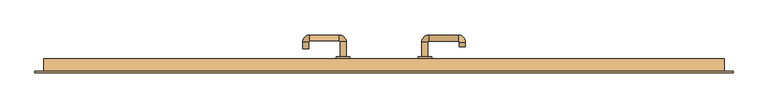
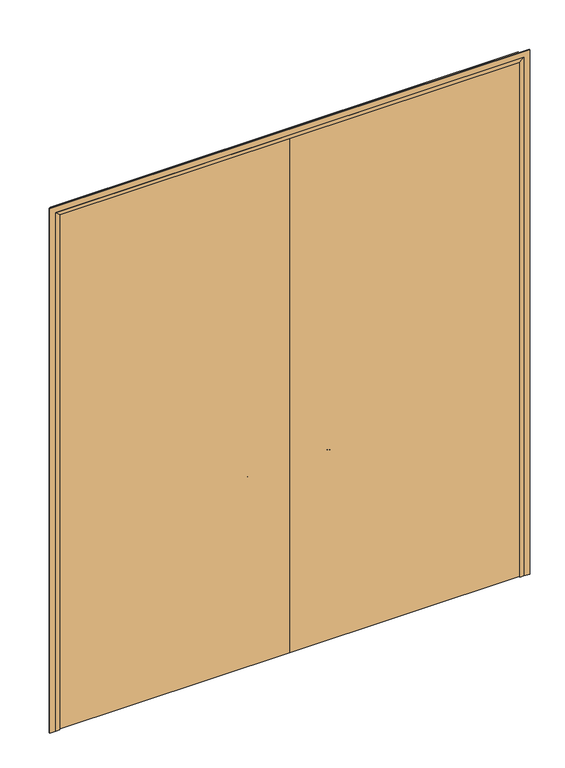
"""IFC4 building model written with IfcOpenShell, lengths in millimetres: door geometry."""

import ifcopenshell
import ifcopenshell.guid

model = None  # the IFC model being written
_history = None  # IfcOwnerHistory: only IFC2X3 demands one
_inside = {}  # id of a spatial element -> (the spatial element, [elements in it])
_under = {}  # id of a project, library or spatial element -> (it, [spatial elements below it])
_declared = {}  # id of a project -> (the project, [libraries it declares])
_typed = {}  # id of a type object -> (the type object, [elements of that type])
_made_of = {}  # id of a material, layer set ... -> (it, [elements and type objects made of it])


def new_model(schema):
    """Start an empty IFC model of exactly this schema.

    Asked for "IFC4X3", IfcOpenShell would pick the latest addendum, in which some entities
    have other attributes; the version numbers below select the first issue.
    IFC2X3 requires an IfcOwnerHistory on every rooted entity: one is made here for all.
    """
    global model, _history
    if schema == "IFC4X3":
        model = ifcopenshell.file(schema_version=(4, 3, 0, 0))
    else:
        model = ifcopenshell.file(schema=schema)
    _inside.clear()
    _under.clear()
    _declared.clear()
    _typed.clear()
    _made_of.clear()
    _history = None
    if model.schema == "IFC2X3":
        org = make("IfcOrganization", Name="unknown")
        user = make(
            "IfcPersonAndOrganization",
            ThePerson=make("IfcPerson", FamilyName="unknown"),
            TheOrganization=org,
        )
        app = make(
            "IfcApplication",
            ApplicationDeveloper=org,
            Version="unknown",
            ApplicationFullName="unknown",
            ApplicationIdentifier="unknown",
        )
        _history = make(
            "IfcOwnerHistory",
            OwningUser=user,
            OwningApplication=app,
            ChangeAction="ADDED",
            CreationDate=0,
        )
    return model


def make(cls, **values):
    """One entity of the class cls with the attributes given. An attribute that is None is left unset."""
    return model.create_entity(
        cls, **{name: value for name, value in values.items() if value is not None}
    )


def rooted(cls, **values):
    """An entity with a GlobalId (a new one), such as an element, a storey or a relation."""
    return make(cls, GlobalId=ifcopenshell.guid.new(), OwnerHistory=_history, **values)


def si_unit(unit_type, name, prefix=None):
    """IfcSIUnit, for example si_unit("LENGTHUNIT", "METRE", prefix="MILLI")."""
    return make("IfcSIUnit", UnitType=unit_type, Prefix=prefix, Name=name)


def assignment(units):
    """IfcUnitAssignment: the units of a project."""
    return None if units is None else make("IfcUnitAssignment", Units=units)


def point(xyz):
    """IfcCartesianPoint."""
    return None if xyz is None else make("IfcCartesianPoint", Coordinates=xyz)


def direction(xyz):
    """IfcDirection."""
    return None if xyz is None else make("IfcDirection", DirectionRatios=xyz)


def frame(location, z_axis=None, x_axis=None):
    """IfcAxis2Placement3D, a coordinate frame: its origin and axes. An axis left out is left unset."""
    return make(
        "IfcAxis2Placement3D",
        Location=point(location),
        Axis=direction(z_axis),
        RefDirection=direction(x_axis),
    )


def frame_2d(location, x_axis=None):
    """IfcAxis2Placement2D, a coordinate frame in the plane: its origin and x axis."""
    return make(
        "IfcAxis2Placement2D", Location=point(location), RefDirection=direction(x_axis)
    )


def origin():
    """The frame at (0, 0, 0) with its axes left unset."""
    return frame((0.0, 0.0, 0.0))


def place(relative_to, where):
    """IfcLocalPlacement: puts the frame where relative to a parent placement (None: the world)."""
    return make(
        "IfcLocalPlacement", PlacementRelTo=relative_to, RelativePlacement=where
    )


def context(
    kind, dimensions, precision=None, world=None, true_north=None, identifier=None
):
    """IfcGeometricRepresentationContext, for example the 3D "Model" context."""
    return make(
        "IfcGeometricRepresentationContext",
        ContextIdentifier=identifier,
        ContextType=kind,
        CoordinateSpaceDimension=dimensions,
        Precision=precision,
        WorldCoordinateSystem=world,
        TrueNorth=true_north,
    )


def project(units=None, contexts=None):
    """IfcProject with its units and contexts."""
    return rooted(
        "IfcProject",
        Name="project",
        RepresentationContexts=contexts,
        UnitsInContext=assignment(units),
    )


def spatial(cls, under=None, at=None, **own):
    """A site, building, storey or space (cls), placed at a placement, below another one or the project."""
    s = rooted(cls, ObjectPlacement=at, **own)
    if under is not None:
        _under.setdefault(under.id(), (under, []))[1].append(s)
    return s


def polyline(points):
    """IfcPolyline through the points."""
    return make("IfcPolyline", Points=[point(p) for p in points])


def circle_curve(where, radius):
    """IfcCircle in the frame where."""
    return make("IfcCircle", Position=where, Radius=radius)


def ellipse_curve(where, semi_axis1, semi_axis2):
    """IfcEllipse in the frame where."""
    return make(
        "IfcEllipse", Position=where, SemiAxis1=semi_axis1, SemiAxis2=semi_axis2
    )


def trimmed(basis, trim1, trim2, sense, master):
    """IfcTrimmedCurve: the piece of a basis curve between two trims."""
    return make(
        "IfcTrimmedCurve",
        BasisCurve=basis,
        Trim1=trim1,
        Trim2=trim2,
        SenseAgreement=sense,
        MasterRepresentation=master,
    )


def segment(curve, same_sense, transition):
    """IfcCompositeCurveSegment."""
    return make(
        "IfcCompositeCurveSegment",
        Transition=transition,
        SameSense=same_sense,
        ParentCurve=curve,
    )


def composite_curve(segments, self_intersect=None):
    """IfcCompositeCurve: segments joined end to end."""
    return make("IfcCompositeCurve", Segments=segments, SelfIntersect=self_intersect)


def outline(outer, holes=None, kind="AREA"):
    """IfcArbitraryClosedProfileDef: a profile drawn as a closed curve; with holes, ...WithVoids."""
    if holes is None:
        return make("IfcArbitraryClosedProfileDef", ProfileType=kind, OuterCurve=outer)
    return make(
        "IfcArbitraryProfileDefWithVoids",
        ProfileType=kind,
        OuterCurve=outer,
        InnerCurves=holes,
    )


def extrude(swept, where, along, depth):
    """IfcExtrudedAreaSolid: the profile swept, set in the frame where, extruded along a direction by depth."""
    return make(
        "IfcExtrudedAreaSolid",
        SweptArea=swept,
        Position=where,
        ExtrudedDirection=direction(along),
        Depth=depth,
    )


def faces_of(points, faces, orient=None, outer=None):
    """IfcFace entities. A face is a list of loops; a loop is a list of indices into points, from 0.

    orient and outer hold one flag for each loop. By default every Orientation is true, the
    first loop of a face is its IfcFaceOuterBound and the others are IfcFaceBound.
    """
    made = []
    for i, loops in enumerate(faces):
        bounds = []
        for j, loop in enumerate(loops):
            is_outer = j == 0 if outer is None else outer[i][j]
            bounds.append(
                make(
                    "IfcFaceOuterBound" if is_outer else "IfcFaceBound",
                    Bound=make("IfcPolyLoop", Polygon=[points[k] for k in loop]),
                    Orientation=True if orient is None else orient[i][j],
                )
            )
        made.append(make("IfcFace", Bounds=bounds))
    return made


def faceted_brep(points, faces, orient=None, outer=None, voids=None):
    """IfcFacetedBrep: a solid bounded by flat faces; with voids (closed shells), ...WithVoids."""
    shared = [point(p) for p in points]
    hull = make("IfcClosedShell", CfsFaces=faces_of(shared, faces, orient, outer))
    if voids is None:
        return make("IfcFacetedBrep", Outer=hull)
    return make(
        "IfcFacetedBrepWithVoids",
        Outer=hull,
        Voids=[
            make(cls, CfsFaces=faces_of(shared, fs, o, b)) for cls, fs, o, b in voids
        ],
    )


def shape(context_of_items, identifier, shape_type, items):
    """IfcShapeRepresentation: the items that make up one representation, for example the "Body"."""
    return make(
        "IfcShapeRepresentation",
        ContextOfItems=context_of_items,
        RepresentationIdentifier=identifier,
        RepresentationType=shape_type,
        Items=items,
    )


def source(mapping_origin, context_of_items, identifier, shape_type, items):
    """IfcRepresentationMap: a shape defined once, which mapped items show again and again."""
    return make(
        "IfcRepresentationMap",
        MappingOrigin=mapping_origin,
        MappedRepresentation=shape(context_of_items, identifier, shape_type, items),
    )


def transform(
    local_origin,
    x_axis=None,
    y_axis=None,
    z_axis=None,
    scale=None,
    scale2=None,
    scale3=None,
    uniform=True,
):
    """IfcCartesianTransformationOperator3D, or its non-uniform kind. x_axis, y_axis, z_axis: its Axis1, 2, 3."""
    if uniform:
        return make(
            "IfcCartesianTransformationOperator3D",
            Axis1=direction(x_axis),
            Axis2=direction(y_axis),
            LocalOrigin=point(local_origin),
            Scale=scale,
            Axis3=direction(z_axis),
        )
    return make(
        "IfcCartesianTransformationOperator3DnonUniform",
        Axis1=direction(x_axis),
        Axis2=direction(y_axis),
        LocalOrigin=point(local_origin),
        Scale=scale,
        Axis3=direction(z_axis),
        Scale2=scale2,
        Scale3=scale3,
    )


def mapped(mapping_source, mapping_target):
    """IfcMappedItem: shows the shape of a source again, moved by a transform."""
    return make(
        "IfcMappedItem", MappingSource=mapping_source, MappingTarget=mapping_target
    )


def made_of(thing, what):
    """Note that an element or type object is made of a material, layer set ...; save() writes the relation."""
    if what is not None:
        _made_of.setdefault(what.id(), (what, []))[1].append(thing)
    return thing


def element(
    cls,
    number,
    at=None,
    inside=None,
    cuts=None,
    type_object=None,
    material=None,
    context=None,
    identifier="Body",
    shape_type=None,
    held_by="IfcProductDefinitionShape",
    body=None,
    shapes=None,
    **own,
):
    """One element of the class cls, such as IfcWall. Its Tag is "e" and its number.

    at: its placement. inside: the storey or other place that contains it. cuts: it is an
    opening in that element (IfcRelVoidsElement). A single representation is given by context,
    identifier, shape_type and body (its items); several are given by shapes. held_by: the class
    of the entity that holds the representations. save() writes the other relations.
    """
    e = rooted(cls, Tag="e%d" % number, ObjectPlacement=at, **own)
    if body is not None:
        shapes = [shape(context, identifier, shape_type, body)]
    if shapes is not None:
        e.Representation = make(held_by, Representations=shapes)
    if inside is not None:
        _inside.setdefault(inside.id(), (inside, []))[1].append(e)
    if cuts is not None:
        rooted(
            "IfcRelVoidsElement", RelatingBuildingElement=cuts, RelatedOpeningElement=e
        )
    if type_object is not None:
        _typed.setdefault(type_object.id(), (type_object, []))[1].append(e)
    return made_of(e, material)


def aggregate(whole, parts):
    """IfcRelAggregates: a whole, such as a stair, and the parts it consists of."""
    return rooted("IfcRelAggregates", RelatingObject=whole, RelatedObjects=parts)


def save(model, path):
    """Write the relations noted so far, then the file.

    IfcRelAggregates (storeys below a building ...), IfcRelContainedInSpatialStructure (elements
    in a storey), IfcRelDefinesByType, IfcRelAssociatesMaterial and IfcRelDeclares: one each for
    every whole, place, type object, material and project.
    """
    for whole, parts in _under.values():
        aggregate(whole, parts)
    for where, things in _inside.values():
        rooted(
            "IfcRelContainedInSpatialStructure",
            RelatedElements=things,
            RelatingStructure=where,
        )
    for kind, things in _typed.values():
        rooted("IfcRelDefinesByType", RelatedObjects=things, RelatingType=kind)
    for what, things in _made_of.values():
        rooted("IfcRelAssociatesMaterial", RelatedObjects=things, RelatingMaterial=what)
    for by, libraries in _declared.values():
        rooted("IfcRelDeclares", RelatingContext=by, RelatedDefinitions=libraries)
    model.write(path)


def plane_surface(at):
    """IfcPlane: the flat surface through the origin of the frame at, square to its z axis."""
    return make("IfcPlane", Position=at)


def cylinder_surface(at, radius):
    """IfcCylindricalSurface: all points at the distance radius from the z axis of the frame at."""
    return make("IfcCylindricalSurface", Position=at, Radius=radius)


def revolved_surface(curve, axis_point, axis_direction):
    """IfcSurfaceOfRevolution: the curve turned about the line through axis_point along axis_direction."""
    return make(
        "IfcSurfaceOfRevolution",
        SweptCurve=make("IfcArbitraryOpenProfileDef", ProfileType="CURVE", Curve=curve),
        AxisPosition=make("IfcAxis1Placement", Location=point(axis_point), Axis=direction(axis_direction)),
    )


def advanced_brep(points, edges, surfaces, faces):
    """IfcAdvancedBrep: a solid bounded by faces that lie on surfaces and meet in shared edges.

    An edge is (start, end): straight between two places in points (the first is 0);
    or (start, end, curve); or (start, end, curve, False) where it runs against its curve.
    A face is (place in surfaces, loops), or (place, loops, False) where it looks against
    its surface's normal. A loop lists edges by number (the first is 1), with a minus sign
    where the edge is run from its end to its start. The first loop is the outer one.
    """
    corners = [point(p) for p in points]
    vertices = [make("IfcVertexPoint", VertexGeometry=c) for c in corners]
    made = []
    for start, end, *more in edges:
        made.append(
            make(
                "IfcEdgeCurve",
                EdgeStart=vertices[start],
                EdgeEnd=vertices[end],
                EdgeGeometry=more[0] if more else make("IfcPolyline", Points=[corners[start], corners[end]]),
                SameSense=more[1] if len(more) > 1 else True,
            )
        )
    hull = []
    for where, loops, *sense in faces:
        bounds = []
        for j, loop in enumerate(loops):
            ring = [make("IfcOrientedEdge", EdgeElement=made[abs(k) - 1], Orientation=k > 0) for k in loop]
            bounds.append(
                make(
                    "IfcFaceOuterBound" if j == 0 else "IfcFaceBound",
                    Bound=make("IfcEdgeLoop", EdgeList=ring),
                    Orientation=True,
                )
            )
        hull.append(make("IfcAdvancedFace", Bounds=bounds, FaceSurface=surfaces[where], SameSense=sense[0] if sense else True))
    return make("IfcAdvancedBrep", Outer=make("IfcClosedShell", CfsFaces=hull))


def door_65e3e3e1(model_context):
    return source(origin(), model_context, "Body", "SolidModel", [
        faceted_brep([(-1247.0, 37.0, 0.0), (-1247.0, -15.0, 0.0), (-1268.0, -15.0, 0.0), (-1268.0, 37.0, 0.0), (-1247.0, 37.0, 2947.0), (-1247.0, -15.0, 2947.0), (-1268.0, -15.0, 2968.0), (-1268.0, 37.0, 2968.0), (1247.0, 37.0, 0.0), (1268.0, 37.0, 0.0), (1268.0, -15.0, 0.0), (1247.0, -15.0, 0.0), (1268.0, 37.0, 2968.0), (1247.0, 37.0, 2947.0), (1268.0, -15.0, 2968.0), (1247.0, -15.0, 2947.0)], [[[0, 1, 2, 3]], [[0, 4, 5, 1]], [[1, 5, 6, 2]], [[2, 6, 7, 3]], [[3, 7, 4, 0]], [[8, 9, 10, 11]], [[12, 9, 8, 13]], [[14, 10, 9, 12]], [[15, 11, 10, 14]], [[13, 8, 11, 15]], [[4, 13, 15, 5]], [[5, 15, 14, 6]], [[6, 14, 12, 7]], [[7, 12, 13, 4]]]),
        extrude(outline(polyline([(3000.0, -1300.0), (0.0, -1300.0), (0.0, -1268.0), (2968.0, -1268.0), (2968.0, 1268.0), (0.0, 1268.0), (0.0, 1300.0), (3000.0, 1300.0), (3000.0, -1300.0)])), frame((0.0, -15.0, 0.0), z_axis=(0.0, 1.0, 0.0), x_axis=(0.0, 0.0, 1.0)), (0.0, 0.0, 1.0), 5.0),
        advanced_brep(
        [(140.99898, 44.0, 1003.0), (162.99898, 44.0, 1003.0), (162.99898, 99.3525369, 1003.0), (140.99898, 99.3525369, 1003.0), (166.99898, 103.3525369, 1003.0), (166.99898, 125.3525369, 1003.0), (276.99898, 103.3525369, 1003.0), (276.99898, 125.3525369, 1003.0), (280.99898, 99.3525369, 1003.0), (302.99898, 99.3525369, 1003.0), (302.99898, 82.0, 1003.0), (280.99898, 82.0, 1003.0)],
        [
            (0, 1, circle_curve(frame((151.99898, 44.0, 1003.0), z_axis=(0.0, -1.0, 0.0), x_axis=(1.0, 0.0, 0.0)), 11.0)),
            (1, 0, circle_curve(frame((151.99898, 44.0, 1003.0), z_axis=(0.0, -1.0, 0.0), x_axis=(1.0, 0.0, 0.0)), 11.0)),
            (1, 2),
            (2, 3, circle_curve(frame((151.99898, 99.3525369, 1003.0), z_axis=(0.0, -1.0, 0.0), x_axis=(1.0, 0.0, 0.0)), 11.0)),
            (3, 0),
            (3, 2, circle_curve(frame((151.99898, 99.3525369, 1003.0), z_axis=(0.0, -1.0, 0.0), x_axis=(1.0, 0.0, 0.0)), 11.0)),
            (4, 5, circle_curve(frame((166.99898, 114.3525369, 1003.0), z_axis=(-1.0, 0.0, 0.0), x_axis=(0.0, -1.0, 0.0)), 11.0)),
            (5, 3, circle_curve(frame((166.99898, 99.3525369, 1003.0), z_axis=(0.0, 0.0, 1.0), x_axis=(-1.0, 0.0, 0.0)), 26.0)),
            (2, 4, circle_curve(frame((166.99898, 99.3525369, 1003.0), z_axis=(0.0, 0.0, -1.0), x_axis=(-1.0, 0.0, 0.0)), 4.0)),
            (5, 4, circle_curve(frame((166.99898, 114.3525369, 1003.0), z_axis=(-1.0, 0.0, 0.0), x_axis=(0.0, -1.0, 0.0)), 11.0)),
            (4, 6),
            (6, 7, circle_curve(frame((276.99898, 114.3525369, 1003.0), z_axis=(-1.0, 0.0, 0.0), x_axis=(0.0, -1.0, 0.0)), 11.0)),
            (7, 5),
            (7, 6, circle_curve(frame((276.99898, 114.3525369, 1003.0), z_axis=(-1.0, 0.0, 0.0), x_axis=(0.0, -1.0, 0.0)), 11.0)),
            (8, 9, circle_curve(frame((291.99898, 99.3525369, 1003.0), z_axis=(0.0, 1.0, 0.0), x_axis=(-1.0, 0.0, 0.0)), 11.0)),
            (9, 7, circle_curve(frame((276.99898, 99.3525369, 1003.0), z_axis=(0.0, 0.0, 1.0), x_axis=(0.0, 1.0, 0.0)), 26.0)),
            (6, 8, circle_curve(frame((276.99898, 99.3525369, 1003.0), z_axis=(0.0, 0.0, -1.0), x_axis=(0.0, 1.0, 0.0)), 4.0)),
            (9, 8, circle_curve(frame((291.99898, 99.3525369, 1003.0), z_axis=(0.0, 1.0, 0.0), x_axis=(-1.0, 0.0, 0.0)), 11.0)),
            (10, 11, circle_curve(frame((291.99898, 82.0, 1003.0), z_axis=(0.0, -1.0, 0.0), x_axis=(-1.0, 0.0, 0.0)), 11.0)),
            (11, 10, circle_curve(frame((291.99898, 82.0, 1003.0), z_axis=(0.0, -1.0, 0.0), x_axis=(-1.0, 0.0, 0.0)), 11.0)),
            (8, 11),
            (10, 9),
        ],
        [
            plane_surface(frame((140.99898, 44.0, 1003.0), z_axis=(0.0, -1.0, 0.0), x_axis=(0.0, 0.0, -1.0))),
            cylinder_surface(frame((151.99898, 44.0, 1003.0), z_axis=(0.0, -1.0, 0.0), x_axis=(1.0, 0.0, 0.0)), 11.0),
            revolved_surface(trimmed(ellipse_curve(frame((151.99898, 99.3525369, 1003.0), z_axis=(0.0, 1.0, 0.0), x_axis=(1.0, 0.0, 0.0)), 11.0, 11.0), [point((140.99898, 99.3525369, 1003.0))], [point((162.99898, 99.3525369, 1003.0))], True, "CARTESIAN"), (166.99898, 99.3525369, 1003.0), (0.0, 0.0, 1.0)),
            revolved_surface(trimmed(ellipse_curve(frame((151.99898, 99.3525369, 1003.0), z_axis=(0.0, 1.0, 0.0), x_axis=(1.0, 0.0, 0.0)), 11.0, 11.0), [point((162.99898, 99.3525369, 1003.0))], [point((140.99898, 99.3525369, 1003.0))], True, "CARTESIAN"), (166.99898, 99.3525369, 1003.0), (0.0, 0.0, 1.0)),
            cylinder_surface(frame((166.99898, 114.3525369, 1003.0), z_axis=(-1.0, 0.0, 0.0), x_axis=(0.0, -1.0, 0.0)), 11.0),
            revolved_surface(trimmed(ellipse_curve(frame((276.99898, 114.3525369, 1003.0), z_axis=(1.0, 0.0, 0.0), x_axis=(0.0, -1.0, 0.0)), 11.0, 11.0), [point((276.99898, 125.3525369, 1003.0))], [point((276.99898, 103.3525369, 1003.0))], True, "CARTESIAN"), (276.99898, 99.3525369, 1003.0), (0.0, 0.0, 1.0)),
            revolved_surface(trimmed(ellipse_curve(frame((276.99898, 114.3525369, 1003.0), z_axis=(1.0, 0.0, 0.0), x_axis=(0.0, -1.0, 0.0)), 11.0, 11.0), [point((276.99898, 103.3525369, 1003.0))], [point((276.99898, 125.3525369, 1003.0))], True, "CARTESIAN"), (276.99898, 99.3525369, 1003.0), (0.0, 0.0, 1.0)),
            plane_surface(frame((280.99898, 82.0, 1003.0), z_axis=(0.0, -1.0, 0.0), x_axis=(0.0, 0.0, 1.0))),
            cylinder_surface(frame((291.99898, 99.3525369, 1003.0), z_axis=(0.0, 1.0, 0.0), x_axis=(-1.0, 0.0, 0.0)), 11.0),
        ],
        [
            (0, [[1, 2]]),
            (1, [[3, 4, 5, -2]]),
            (1, [[-5, 6, -3, -1]]),
            (2, [[7, 8, -4, 9]]),
            (3, [[10, -9, -6, -8]]),
            (4, [[11, 12, 13, -7]]),
            (4, [[-13, 14, -11, -10]]),
            (5, [[15, 16, -12, 17]]),
            (6, [[18, -17, -14, -16]]),
            (7, [[19, 20]]),
            (8, [[21, -19, 22, -15]]),
            (8, [[-22, -20, -21, -18]]),
        ],
    ),
        extrude(outline(composite_curve([segment(trimmed(circle_curve(frame_2d((1003.0, 151.99898)), 25.0), [point((1003.0, 126.99898))], [point((1003.0, 176.99898))], False, "CARTESIAN"), True, "CONTINUOUS"), segment(trimmed(circle_curve(frame_2d((1003.0, 151.99898)), 25.0), [point((1003.0, 176.99898))], [point((1003.0, 126.99898))], False, "CARTESIAN"), True, "CONTINUOUS")], self_intersect=False)), frame((0.0, 34.0, 0.0), z_axis=(0.0, 1.0, 0.0), x_axis=(0.0, 0.0, 1.0)), (0.0, 0.0, 1.0), 10.0),
        advanced_brep(
        [(-162.99898, 44.3113879, 1003.0), (-140.99898, 44.3113879, 1003.0), (-140.99898, 99.7220447, 1003.0), (-162.99898, 99.7220447, 1003.0), (-166.99898, 125.7220447, 1003.0), (-166.99898, 103.7220447, 1003.0), (-276.99898, 125.7220447, 1003.0), (-276.99898, 103.7220447, 1003.0), (-302.99898, 99.7220447, 1003.0), (-280.99898, 99.7220447, 1003.0), (-280.99898, 74.7220447, 1003.0), (-302.99898, 74.7220447, 1003.0)],
        [
            (0, 1, circle_curve(frame((-151.99898, 44.3113879, 1003.0), z_axis=(0.0, -1.0, 0.0), x_axis=(1.0, 0.0, 0.0)), 11.0)),
            (1, 0, circle_curve(frame((-151.99898, 44.3113879, 1003.0), z_axis=(0.0, -1.0, 0.0), x_axis=(1.0, 0.0, 0.0)), 11.0)),
            (1, 2),
            (2, 3, circle_curve(frame((-151.99898, 99.7220447, 1003.0), z_axis=(0.0, -1.0, 0.0), x_axis=(1.0, 0.0, 0.0)), 11.0)),
            (3, 0),
            (3, 2, circle_curve(frame((-151.99898, 99.7220447, 1003.0), z_axis=(0.0, -1.0, 0.0), x_axis=(1.0, 0.0, 0.0)), 11.0)),
            (4, 5, circle_curve(frame((-166.99898, 114.7220447, 1003.0), z_axis=(1.0, 0.0, 0.0), x_axis=(0.0, 1.0, 0.0)), 11.0)),
            (5, 3, circle_curve(frame((-166.99898, 99.7220447, 1003.0), z_axis=(0.0, 0.0, -1.0), x_axis=(1.0, 0.0, 0.0)), 4.0)),
            (2, 4, circle_curve(frame((-166.99898, 99.7220447, 1003.0), z_axis=(0.0, 0.0, 1.0), x_axis=(1.0, 0.0, 0.0)), 26.0)),
            (5, 4, circle_curve(frame((-166.99898, 114.7220447, 1003.0), z_axis=(1.0, 0.0, 0.0), x_axis=(0.0, 1.0, 0.0)), 11.0)),
            (4, 6),
            (6, 7, circle_curve(frame((-276.99898, 114.7220447, 1003.0), z_axis=(1.0, 0.0, 0.0), x_axis=(0.0, 1.0, 0.0)), 11.0)),
            (7, 5),
            (7, 6, circle_curve(frame((-276.99898, 114.7220447, 1003.0), z_axis=(1.0, 0.0, 0.0), x_axis=(0.0, 1.0, 0.0)), 11.0)),
            (8, 9, circle_curve(frame((-291.99898, 99.7220447, 1003.0), z_axis=(0.0, 1.0, 0.0), x_axis=(-1.0, 0.0, 0.0)), 11.0)),
            (9, 7, circle_curve(frame((-276.99898, 99.7220447, 1003.0), z_axis=(0.0, 0.0, -1.0), x_axis=(0.0, 1.0, 0.0)), 4.0)),
            (6, 8, circle_curve(frame((-276.99898, 99.7220447, 1003.0), z_axis=(0.0, 0.0, 1.0), x_axis=(0.0, 1.0, 0.0)), 26.0)),
            (9, 8, circle_curve(frame((-291.99898, 99.7220447, 1003.0), z_axis=(0.0, 1.0, 0.0), x_axis=(-1.0, 0.0, 0.0)), 11.0)),
            (10, 11, circle_curve(frame((-291.99898, 74.7220447, 1003.0), z_axis=(0.0, -1.0, 0.0), x_axis=(-1.0, 0.0, 0.0)), 11.0)),
            (11, 10, circle_curve(frame((-291.99898, 74.7220447, 1003.0), z_axis=(0.0, -1.0, 0.0), x_axis=(-1.0, 0.0, 0.0)), 11.0)),
            (8, 11),
            (10, 9),
        ],
        [
            plane_surface(frame((-162.99898, 44.3113879, 1003.0), z_axis=(0.0, -1.0, 0.0), x_axis=(0.0, 0.0, -1.0))),
            cylinder_surface(frame((-151.99898, 44.3113879, 1003.0), z_axis=(0.0, -1.0, 0.0), x_axis=(1.0, 0.0, 0.0)), 11.0),
            revolved_surface(trimmed(ellipse_curve(frame((-151.99898, 99.7220447, 1003.0), z_axis=(0.0, 1.0, 0.0), x_axis=(1.0, 0.0, 0.0)), 11.0, 11.0), [point((-162.99898, 99.7220447, 1003.0))], [point((-140.99898, 99.7220447, 1003.0))], True, "CARTESIAN"), (-166.99898, 99.7220447, 1003.0), (0.0, 0.0, -1.0)),
            revolved_surface(trimmed(ellipse_curve(frame((-151.99898, 99.7220447, 1003.0), z_axis=(0.0, 1.0, 0.0), x_axis=(1.0, 0.0, 0.0)), 11.0, 11.0), [point((-140.99898, 99.7220447, 1003.0))], [point((-162.99898, 99.7220447, 1003.0))], True, "CARTESIAN"), (-166.99898, 99.7220447, 1003.0), (0.0, 0.0, -1.0)),
            cylinder_surface(frame((-166.99898, 114.7220447, 1003.0), z_axis=(1.0, 0.0, 0.0), x_axis=(0.0, 1.0, 0.0)), 11.0),
            revolved_surface(trimmed(ellipse_curve(frame((-276.99898, 114.7220447, 1003.0), z_axis=(-1.0, 0.0, 0.0), x_axis=(0.0, 1.0, 0.0)), 11.0, 11.0), [point((-276.99898, 103.7220447, 1003.0))], [point((-276.99898, 125.7220447, 1003.0))], True, "CARTESIAN"), (-276.99898, 99.7220447, 1003.0), (0.0, 0.0, -1.0)),
            revolved_surface(trimmed(ellipse_curve(frame((-276.99898, 114.7220447, 1003.0), z_axis=(-1.0, 0.0, 0.0), x_axis=(0.0, 1.0, 0.0)), 11.0, 11.0), [point((-276.99898, 125.7220447, 1003.0))], [point((-276.99898, 103.7220447, 1003.0))], True, "CARTESIAN"), (-276.99898, 99.7220447, 1003.0), (0.0, 0.0, -1.0)),
            plane_surface(frame((-302.99898, 74.7220447, 1003.0), z_axis=(0.0, -1.0, 0.0), x_axis=(0.0, 0.0, 1.0))),
            cylinder_surface(frame((-291.99898, 99.7220447, 1003.0), z_axis=(0.0, 1.0, 0.0), x_axis=(-1.0, 0.0, 0.0)), 11.0),
        ],
        [
            (0, [[1, 2]]),
            (1, [[3, 4, 5, -2]]),
            (1, [[-5, 6, -3, -1]]),
            (2, [[7, 8, -4, 9]]),
            (3, [[10, -9, -6, -8]]),
            (4, [[11, 12, 13, -7]]),
            (4, [[-13, 14, -11, -10]]),
            (5, [[15, 16, -12, 17]]),
            (6, [[18, -17, -14, -16]]),
            (7, [[19, 20]]),
            (8, [[21, -19, 22, -15]]),
            (8, [[-22, -20, -21, -18]]),
        ],
    ),
        extrude(outline(composite_curve([segment(trimmed(circle_curve(frame_2d((1003.0, -151.99898)), 25.0), [point((1003.0, -176.99898))], [point((1003.0, -126.99898))], False, "CARTESIAN"), True, "CONTINUOUS"), segment(trimmed(circle_curve(frame_2d((1003.0, -151.99898)), 25.0), [point((1003.0, -126.99898))], [point((1003.0, -176.99898))], False, "CARTESIAN"), True, "CONTINUOUS")], self_intersect=False)), frame((0.0, 34.0, 0.0), z_axis=(0.0, 1.0, 0.0), x_axis=(0.0, 0.0, 1.0)), (0.0, 0.0, 1.0), 10.3113879),
        extrude(outline(polyline([(1.0739506, 34.0), (1.0739506, -10.0), (-1265.0, -10.0), (-1265.0, 34.0), (1.0739506, 34.0)])), frame((0.0, 0.0, 1.753223), z_axis=(0.0, 0.0, 1.0), x_axis=(1.0, 0.0, 0.0)), (0.0, 0.0, 1.0), 2966.246777),
        extrude(outline(polyline([(1265.0, 34.0), (1265.0, -10.0), (1.0739506, -10.0), (1.0739506, 34.0), (1265.0, 34.0)])), frame((0.0, 0.0, 1.753223), z_axis=(0.0, 0.0, 1.0), x_axis=(1.0, 0.0, 0.0)), (0.0, 0.0, 1.0), 2966.246777),
    ])


if __name__ == "__main__":
    model = new_model("IFC4")
    model_context = context("Model", 3, world=origin())
    ifc_project = project(units=[si_unit("LENGTHUNIT", "METRE", prefix="MILLI")], contexts=[model_context])
    site = spatial("IfcSite", under=ifc_project)
    building = spatial("IfcBuilding", under=site)
    placement = place(None, origin())
    door_shape = door_65e3e3e1(model_context)
    element("IfcDoor", 1, at=placement, inside=building, context=model_context, shape_type="MappedRepresentation", body=[
        mapped(door_shape, transform((0.0, 0.0, 0.0), x_axis=(1.0, 0.0, 0.0), y_axis=(0.0, 1.0, 0.0), z_axis=(0.0, 0.0, 1.0))),
    ])
    save(model, "model.ifc")
